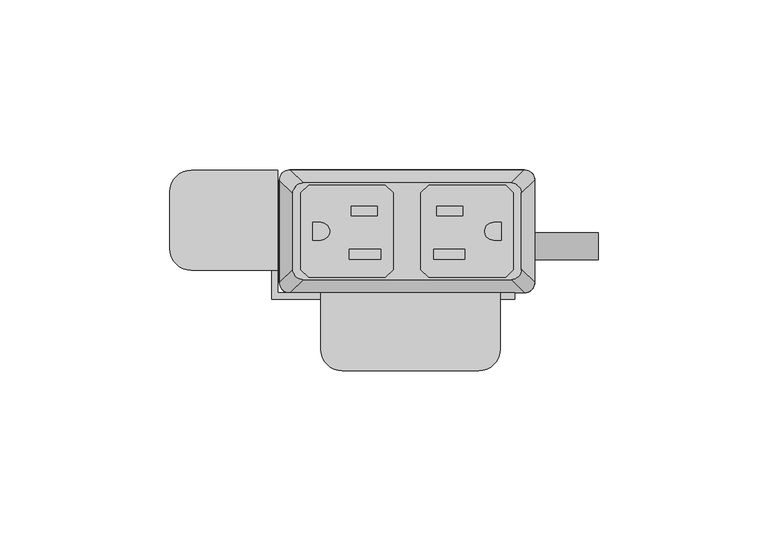
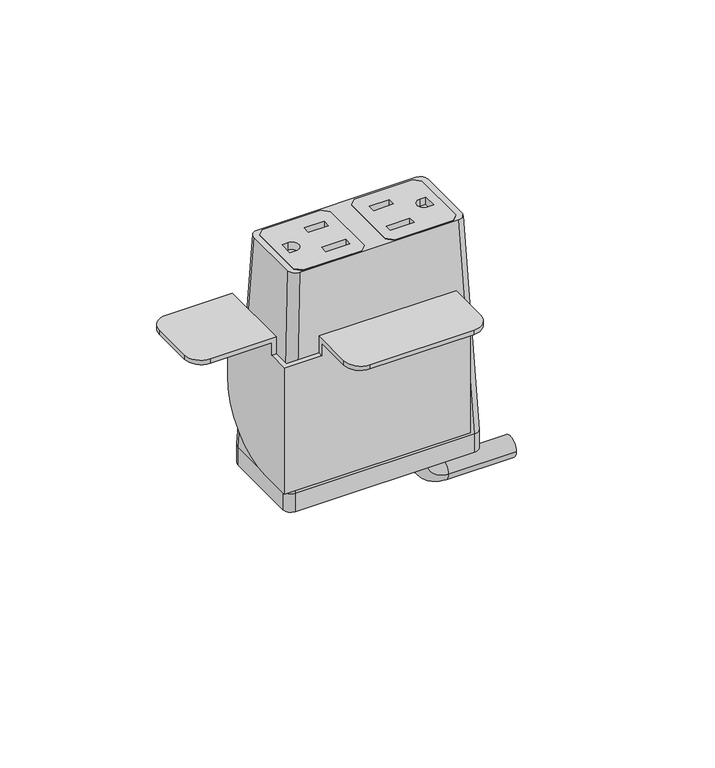
"""IFC4 building model written with IfcOpenShell, lengths in millimetres: furniture geometry."""

import ifcopenshell
import ifcopenshell.guid

model = None  # the IFC model being written
_history = None  # IfcOwnerHistory: only IFC2X3 demands one
_inside = {}  # id of a spatial element -> (the spatial element, [elements in it])
_under = {}  # id of a project, library or spatial element -> (it, [spatial elements below it])
_declared = {}  # id of a project -> (the project, [libraries it declares])
_typed = {}  # id of a type object -> (the type object, [elements of that type])
_made_of = {}  # id of a material, layer set ... -> (it, [elements and type objects made of it])


def new_model(schema):
    """Start an empty IFC model of exactly this schema.

    Asked for "IFC4X3", IfcOpenShell would pick the latest addendum, in which some entities
    have other attributes; the version numbers below select the first issue.
    IFC2X3 requires an IfcOwnerHistory on every rooted entity: one is made here for all.
    """
    global model, _history
    if schema == "IFC4X3":
        model = ifcopenshell.file(schema_version=(4, 3, 0, 0))
    else:
        model = ifcopenshell.file(schema=schema)
    _inside.clear()
    _under.clear()
    _declared.clear()
    _typed.clear()
    _made_of.clear()
    _history = None
    if model.schema == "IFC2X3":
        org = make("IfcOrganization", Name="unknown")
        user = make(
            "IfcPersonAndOrganization",
            ThePerson=make("IfcPerson", FamilyName="unknown"),
            TheOrganization=org,
        )
        app = make(
            "IfcApplication",
            ApplicationDeveloper=org,
            Version="unknown",
            ApplicationFullName="unknown",
            ApplicationIdentifier="unknown",
        )
        _history = make(
            "IfcOwnerHistory",
            OwningUser=user,
            OwningApplication=app,
            ChangeAction="ADDED",
            CreationDate=0,
        )
    return model


def make(cls, **values):
    """One entity of the class cls with the attributes given. An attribute that is None is left unset."""
    return model.create_entity(
        cls, **{name: value for name, value in values.items() if value is not None}
    )


def rooted(cls, **values):
    """An entity with a GlobalId (a new one), such as an element, a storey or a relation."""
    return make(cls, GlobalId=ifcopenshell.guid.new(), OwnerHistory=_history, **values)


def si_unit(unit_type, name, prefix=None):
    """IfcSIUnit, for example si_unit("LENGTHUNIT", "METRE", prefix="MILLI")."""
    return make("IfcSIUnit", UnitType=unit_type, Prefix=prefix, Name=name)


def assignment(units):
    """IfcUnitAssignment: the units of a project."""
    return None if units is None else make("IfcUnitAssignment", Units=units)


def point(xyz):
    """IfcCartesianPoint."""
    return None if xyz is None else make("IfcCartesianPoint", Coordinates=xyz)


def direction(xyz):
    """IfcDirection."""
    return None if xyz is None else make("IfcDirection", DirectionRatios=xyz)


def frame(location, z_axis=None, x_axis=None):
    """IfcAxis2Placement3D, a coordinate frame: its origin and axes. An axis left out is left unset."""
    return make(
        "IfcAxis2Placement3D",
        Location=point(location),
        Axis=direction(z_axis),
        RefDirection=direction(x_axis),
    )


def frame_2d(location, x_axis=None):
    """IfcAxis2Placement2D, a coordinate frame in the plane: its origin and x axis."""
    return make(
        "IfcAxis2Placement2D", Location=point(location), RefDirection=direction(x_axis)
    )


def origin():
    """The frame at (0, 0, 0) with its axes left unset."""
    return frame((0.0, 0.0, 0.0))


def place(relative_to, where):
    """IfcLocalPlacement: puts the frame where relative to a parent placement (None: the world)."""
    return make(
        "IfcLocalPlacement", PlacementRelTo=relative_to, RelativePlacement=where
    )


def context(
    kind, dimensions, precision=None, world=None, true_north=None, identifier=None
):
    """IfcGeometricRepresentationContext, for example the 3D "Model" context."""
    return make(
        "IfcGeometricRepresentationContext",
        ContextIdentifier=identifier,
        ContextType=kind,
        CoordinateSpaceDimension=dimensions,
        Precision=precision,
        WorldCoordinateSystem=world,
        TrueNorth=true_north,
    )


def project(units=None, contexts=None):
    """IfcProject with its units and contexts."""
    return rooted(
        "IfcProject",
        Name="project",
        RepresentationContexts=contexts,
        UnitsInContext=assignment(units),
    )


def spatial(cls, under=None, at=None, **own):
    """A site, building, storey or space (cls), placed at a placement, below another one or the project."""
    s = rooted(cls, ObjectPlacement=at, **own)
    if under is not None:
        _under.setdefault(under.id(), (under, []))[1].append(s)
    return s


def polyline(points):
    """IfcPolyline through the points."""
    return make("IfcPolyline", Points=[point(p) for p in points])


def circle_curve(where, radius):
    """IfcCircle in the frame where."""
    return make("IfcCircle", Position=where, Radius=radius)


def ellipse_curve(where, semi_axis1, semi_axis2):
    """IfcEllipse in the frame where."""
    return make(
        "IfcEllipse", Position=where, SemiAxis1=semi_axis1, SemiAxis2=semi_axis2
    )


def trimmed(basis, trim1, trim2, sense, master):
    """IfcTrimmedCurve: the piece of a basis curve between two trims."""
    return make(
        "IfcTrimmedCurve",
        BasisCurve=basis,
        Trim1=trim1,
        Trim2=trim2,
        SenseAgreement=sense,
        MasterRepresentation=master,
    )


def segment(curve, same_sense, transition):
    """IfcCompositeCurveSegment."""
    return make(
        "IfcCompositeCurveSegment",
        Transition=transition,
        SameSense=same_sense,
        ParentCurve=curve,
    )


def composite_curve(segments, self_intersect=None):
    """IfcCompositeCurve: segments joined end to end."""
    return make("IfcCompositeCurve", Segments=segments, SelfIntersect=self_intersect)


def outline(outer, holes=None, kind="AREA"):
    """IfcArbitraryClosedProfileDef: a profile drawn as a closed curve; with holes, ...WithVoids."""
    if holes is None:
        return make("IfcArbitraryClosedProfileDef", ProfileType=kind, OuterCurve=outer)
    return make(
        "IfcArbitraryProfileDefWithVoids",
        ProfileType=kind,
        OuterCurve=outer,
        InnerCurves=holes,
    )


def extrude(swept, where, along, depth):
    """IfcExtrudedAreaSolid: the profile swept, set in the frame where, extruded along a direction by depth."""
    return make(
        "IfcExtrudedAreaSolid",
        SweptArea=swept,
        Position=where,
        ExtrudedDirection=direction(along),
        Depth=depth,
    )


def shape(context_of_items, identifier, shape_type, items):
    """IfcShapeRepresentation: the items that make up one representation, for example the "Body"."""
    return make(
        "IfcShapeRepresentation",
        ContextOfItems=context_of_items,
        RepresentationIdentifier=identifier,
        RepresentationType=shape_type,
        Items=items,
    )


def source(mapping_origin, context_of_items, identifier, shape_type, items):
    """IfcRepresentationMap: a shape defined once, which mapped items show again and again."""
    return make(
        "IfcRepresentationMap",
        MappingOrigin=mapping_origin,
        MappedRepresentation=shape(context_of_items, identifier, shape_type, items),
    )


def transform(
    local_origin,
    x_axis=None,
    y_axis=None,
    z_axis=None,
    scale=None,
    scale2=None,
    scale3=None,
    uniform=True,
):
    """IfcCartesianTransformationOperator3D, or its non-uniform kind. x_axis, y_axis, z_axis: its Axis1, 2, 3."""
    if uniform:
        return make(
            "IfcCartesianTransformationOperator3D",
            Axis1=direction(x_axis),
            Axis2=direction(y_axis),
            LocalOrigin=point(local_origin),
            Scale=scale,
            Axis3=direction(z_axis),
        )
    return make(
        "IfcCartesianTransformationOperator3DnonUniform",
        Axis1=direction(x_axis),
        Axis2=direction(y_axis),
        LocalOrigin=point(local_origin),
        Scale=scale,
        Axis3=direction(z_axis),
        Scale2=scale2,
        Scale3=scale3,
    )


def mapped(mapping_source, mapping_target):
    """IfcMappedItem: shows the shape of a source again, moved by a transform."""
    return make(
        "IfcMappedItem", MappingSource=mapping_source, MappingTarget=mapping_target
    )


def made_of(thing, what):
    """Note that an element or type object is made of a material, layer set ...; save() writes the relation."""
    if what is not None:
        _made_of.setdefault(what.id(), (what, []))[1].append(thing)
    return thing


def element(
    cls,
    number,
    at=None,
    inside=None,
    cuts=None,
    type_object=None,
    material=None,
    context=None,
    identifier="Body",
    shape_type=None,
    held_by="IfcProductDefinitionShape",
    body=None,
    shapes=None,
    **own,
):
    """One element of the class cls, such as IfcWall. Its Tag is "e" and its number.

    at: its placement. inside: the storey or other place that contains it. cuts: it is an
    opening in that element (IfcRelVoidsElement). A single representation is given by context,
    identifier, shape_type and body (its items); several are given by shapes. held_by: the class
    of the entity that holds the representations. save() writes the other relations.
    """
    e = rooted(cls, Tag="e%d" % number, ObjectPlacement=at, **own)
    if body is not None:
        shapes = [shape(context, identifier, shape_type, body)]
    if shapes is not None:
        e.Representation = make(held_by, Representations=shapes)
    if inside is not None:
        _inside.setdefault(inside.id(), (inside, []))[1].append(e)
    if cuts is not None:
        rooted(
            "IfcRelVoidsElement", RelatingBuildingElement=cuts, RelatedOpeningElement=e
        )
    if type_object is not None:
        _typed.setdefault(type_object.id(), (type_object, []))[1].append(e)
    return made_of(e, material)


def aggregate(whole, parts):
    """IfcRelAggregates: a whole, such as a stair, and the parts it consists of."""
    return rooted("IfcRelAggregates", RelatingObject=whole, RelatedObjects=parts)


def save(model, path):
    """Write the relations noted so far, then the file.

    IfcRelAggregates (storeys below a building ...), IfcRelContainedInSpatialStructure (elements
    in a storey), IfcRelDefinesByType, IfcRelAssociatesMaterial and IfcRelDeclares: one each for
    every whole, place, type object, material and project.
    """
    for whole, parts in _under.values():
        aggregate(whole, parts)
    for where, things in _inside.values():
        rooted(
            "IfcRelContainedInSpatialStructure",
            RelatedElements=things,
            RelatingStructure=where,
        )
    for kind, things in _typed.values():
        rooted("IfcRelDefinesByType", RelatedObjects=things, RelatingType=kind)
    for what, things in _made_of.values():
        rooted("IfcRelAssociatesMaterial", RelatedObjects=things, RelatingMaterial=what)
    for by, libraries in _declared.values():
        rooted("IfcRelDeclares", RelatingContext=by, RelatedDefinitions=libraries)
    model.write(path)


def plane_surface(at):
    """IfcPlane: the flat surface through the origin of the frame at, square to its z axis."""
    return make("IfcPlane", Position=at)


def cylinder_surface(at, radius):
    """IfcCylindricalSurface: all points at the distance radius from the z axis of the frame at."""
    return make("IfcCylindricalSurface", Position=at, Radius=radius)


def revolved_surface(curve, axis_point, axis_direction):
    """IfcSurfaceOfRevolution: the curve turned about the line through axis_point along axis_direction."""
    return make(
        "IfcSurfaceOfRevolution",
        SweptCurve=make("IfcArbitraryOpenProfileDef", ProfileType="CURVE", Curve=curve),
        AxisPosition=make("IfcAxis1Placement", Location=point(axis_point), Axis=direction(axis_direction)),
    )


def extruded_surface(curve, direction_of_extrusion, depth):
    """IfcSurfaceOfLinearExtrusion: the curve pushed along a direction by depth."""
    return make(
        "IfcSurfaceOfLinearExtrusion",
        SweptCurve=make("IfcArbitraryOpenProfileDef", ProfileType="CURVE", Curve=curve),
        ExtrudedDirection=direction(direction_of_extrusion),
        Depth=depth,
    )


def advanced_brep(points, edges, surfaces, faces):
    """IfcAdvancedBrep: a solid bounded by faces that lie on surfaces and meet in shared edges.

    An edge is (start, end): straight between two places in points (the first is 0);
    or (start, end, curve); or (start, end, curve, False) where it runs against its curve.
    A face is (place in surfaces, loops), or (place, loops, False) where it looks against
    its surface's normal. A loop lists edges by number (the first is 1), with a minus sign
    where the edge is run from its end to its start. The first loop is the outer one.
    """
    corners = [point(p) for p in points]
    vertices = [make("IfcVertexPoint", VertexGeometry=c) for c in corners]
    made = []
    for start, end, *more in edges:
        made.append(
            make(
                "IfcEdgeCurve",
                EdgeStart=vertices[start],
                EdgeEnd=vertices[end],
                EdgeGeometry=more[0] if more else make("IfcPolyline", Points=[corners[start], corners[end]]),
                SameSense=more[1] if len(more) > 1 else True,
            )
        )
    hull = []
    for where, loops, *sense in faces:
        bounds = []
        for j, loop in enumerate(loops):
            ring = [make("IfcOrientedEdge", EdgeElement=made[abs(k) - 1], Orientation=k > 0) for k in loop]
            bounds.append(
                make(
                    "IfcFaceOuterBound" if j == 0 else "IfcFaceBound",
                    Bound=make("IfcEdgeLoop", EdgeList=ring),
                    Orientation=True,
                )
            )
        hull.append(make("IfcAdvancedFace", Bounds=bounds, FaceSurface=surfaces[where], SameSense=sense[0] if sense else True))
    return make("IfcAdvancedBrep", Outer=make("IfcClosedShell", CfsFaces=hull))


def furniture_4b843754(model_context):
    return source(origin(), model_context, "Body", "SolidModel", [
        extrude(outline(polyline([(28.9877496, 31.6867491), (31.2737497, 29.400774), (31.2737497, 6.7950272), (28.9877496, 4.5090526), (6.3817502, 4.5090526), (4.0957501, 6.7950272), (4.0957501, 29.400774), (6.3817502, 31.6867491), (28.9877496, 31.6867491)]), holes=[polyline([(16.3893498, 25.5262103), (8.71855, 25.5262103), (8.71855, 22.6814439), (16.3893498, 22.6814439), (16.3893498, 25.5262103)]), polyline([(17.0497496, 12.7755533), (7.8041498, 12.7755533), (7.8041498, 9.9307858), (17.0497496, 9.9307858), (17.0497496, 12.7755533)]), composite_curve([segment(polyline([(27.7177508, 20.7140722), (25.4427305, 20.7140722)]), True, "CONTINUOUS"), segment(trimmed(circle_curve(frame_2d((25.4427305, 18.0979012)), 2.616171), [point((25.4427305, 20.7140722))], [point((25.4427305, 15.4817301))], True, "CARTESIAN"), True, "CONTINUOUS"), segment(polyline([(25.4427305, 15.4817301), (27.7177508, 15.4817301), (27.7177508, 20.7140722)]), True, "CONTINUOUS")], self_intersect=False)]), frame((0.0, 0.0, 745.6127365), z_axis=(0.0, 0.0, 1.0), x_axis=(1.0, 0.0, 0.0)), (0.0, 0.0, 1.0), 2.9555086),
        extrude(outline(polyline([(-28.9877496, 31.6867491), (-6.3817502, 31.6867491), (-4.0957501, 29.400774), (-4.0957501, 6.7950272), (-6.3817502, 4.5090526), (-28.9877496, 4.5090526), (-31.2737497, 6.7950272), (-31.2737497, 29.400774), (-28.9877496, 31.6867491)]), holes=[polyline([(-16.3893498, 25.5262103), (-16.3893498, 22.6814439), (-8.71855, 22.6814439), (-8.71855, 25.5262103), (-16.3893498, 25.5262103)]), polyline([(-17.0497496, 12.7755533), (-17.0497496, 9.9307858), (-7.8041498, 9.9307858), (-7.8041498, 12.7755533), (-17.0497496, 12.7755533)]), composite_curve([segment(polyline([(-27.7177508, 20.7140722), (-27.7177508, 15.4817301), (-25.4427305, 15.4817301)]), True, "CONTINUOUS"), segment(trimmed(circle_curve(frame_2d((-25.4427305, 18.0979012)), 2.616171), [point((-25.4427305, 15.4817301))], [point((-25.4427305, 20.7140722))], True, "CARTESIAN"), True, "CONTINUOUS"), segment(polyline([(-25.4427305, 20.7140722), (-27.7177508, 20.7140722)]), True, "CONTINUOUS")], self_intersect=False)]), frame((0.0, 0.0, 745.6127365), z_axis=(0.0, 0.0, 1.0), x_axis=(1.0, 0.0, 0.0)), (0.0, 0.0, 1.0), 2.9555086),
        advanced_brep(
        [(-30.6070003, 32.3219007, 748.5550623), (-33.6549997, 29.2739013, 748.5550623), (-33.6549997, 6.9219002, 748.5550623), (-30.6070003, 3.8739008, 748.5550623), (30.6070003, 3.8739008, 748.5550623), (33.6549997, 6.9219002, 748.5550623), (33.6549997, 29.2739013, 748.5550623), (30.6070003, 32.3219007, 748.5550623), (4.0957501, 29.400774, 748.5550623), (6.3817502, 31.6867491, 748.5550623), (28.9877496, 31.6867491, 748.5550623), (31.2737497, 29.400774, 748.5550623), (31.2737497, 6.7950272, 748.5550623), (28.9877496, 4.5090526, 748.5550623), (6.3817502, 4.5090526, 748.5550623), (4.0957501, 6.7950272, 748.5550623), (-4.0957501, 29.400774, 748.5550623), (-4.0957501, 6.7950272, 748.5550623), (-6.3817502, 4.5090526, 748.5550623), (-28.9877496, 4.5090526, 748.5550623), (-31.2737497, 6.7950272, 748.5550623), (-31.2737497, 29.400774, 748.5550623), (-28.9877496, 31.6867491, 748.5550623), (-6.3817502, 31.6867491, 748.5550623), (-34.5440011, 36.1954015, 662.2082434), (34.5440011, 36.1954015, 662.2082434), (37.5920005, 33.1474021, 662.2082434), (37.5920005, 3.0484002, 662.2082434), (34.5440011, 0.0004009, 662.2082434), (-34.5440011, 0.0004009, 662.2082434), (-37.5920005, 3.0484002, 662.2082434), (-37.5920005, 33.1474021, 662.2082434), (4.0957501, 29.400774, 741.4131211), (4.0957501, 6.7950272, 741.4131211), (6.3817502, 4.5090526, 741.4131211), (28.9877496, 4.5090526, 741.4131211), (31.2737497, 6.7950272, 741.4131211), (31.2737497, 29.400774, 741.4131211), (28.9877496, 31.6867491, 741.4131211), (6.3817502, 31.6867491, 741.4131211), (-4.0957501, 29.400774, 741.4131211), (-6.3817502, 31.6867491, 741.4131211), (-28.9877496, 31.6867491, 741.4131211), (-31.2737497, 29.400774, 741.4131211), (-31.2737497, 6.7950272, 741.4131211), (-28.9877496, 4.5090526, 741.4131211), (-6.3817502, 4.5090526, 741.4131211), (-4.0957501, 6.7950272, 741.4131211)],
        [
            (0, 1, circle_curve(frame((-30.6070003, 29.2739013, 748.5550623), z_axis=(0.0, 0.0, 1.0), x_axis=(-1.0, 0.0, 0.0)), 3.0479994)),
            (1, 2),
            (2, 3, circle_curve(frame((-30.6070003, 6.9219002, 748.5550623), z_axis=(0.0, 0.0, 1.0), x_axis=(-1.0, 0.0, 0.0)), 3.0479994)),
            (3, 4),
            (4, 5, circle_curve(frame((30.6070003, 6.9219002, 748.5550623), z_axis=(0.0, 0.0, 1.0), x_axis=(-1.0, 0.0, 0.0)), 3.0479994)),
            (5, 6),
            (6, 7, circle_curve(frame((30.6070003, 29.2739013, 748.5550623), z_axis=(0.0, 0.0, 1.0), x_axis=(-1.0, 0.0, 0.0)), 3.0479994)),
            (7, 0),
            (8, 9),
            (9, 10),
            (10, 11),
            (11, 12),
            (12, 13),
            (13, 14),
            (14, 15),
            (15, 8),
            (16, 17),
            (17, 18),
            (18, 19),
            (19, 20),
            (20, 21),
            (21, 22),
            (22, 23),
            (23, 16),
            (24, 25),
            (25, 26, circle_curve(frame((34.5440011, 33.1474021, 662.2082434), z_axis=(0.0, 0.0, -1.0), x_axis=(-1.0, 0.0, 0.0)), 3.0479994)),
            (26, 27),
            (27, 28, circle_curve(frame((34.5440011, 3.0484002, 662.2082434), z_axis=(0.0, 0.0, -1.0), x_axis=(-1.0, 0.0, 0.0)), 3.0479994)),
            (28, 29),
            (29, 30, circle_curve(frame((-34.5440011, 3.0484002, 662.2082434), z_axis=(0.0, 0.0, -1.0), x_axis=(-1.0, 0.0, 0.0)), 3.0479994)),
            (30, 31),
            (31, 24, circle_curve(frame((-34.5440011, 33.1474021, 662.2082434), z_axis=(0.0, 0.0, -1.0), x_axis=(-1.0, 0.0, 0.0)), 3.0479994)),
            (0, 24),
            (31, 1),
            (30, 2),
            (29, 3),
            (28, 4),
            (27, 5),
            (26, 6),
            (25, 7),
            (32, 33),
            (33, 34),
            (34, 35),
            (35, 36),
            (36, 37),
            (37, 38),
            (38, 39),
            (39, 32),
            (40, 41),
            (41, 42),
            (42, 43),
            (43, 44),
            (44, 45),
            (45, 46),
            (46, 47),
            (47, 40),
            (39, 9),
            (8, 32),
            (38, 10),
            (37, 11),
            (36, 12),
            (35, 13),
            (34, 14),
            (33, 15),
            (47, 17),
            (16, 40),
            (46, 18),
            (45, 19),
            (44, 20),
            (43, 21),
            (42, 22),
            (41, 23),
        ],
        [
            plane_surface(frame((0.0, 18.0979007, 748.5550623), z_axis=(0.0, 0.0, 1.0), x_axis=(-1.0, 0.0, 0.0))),
            plane_surface(frame((0.0, 18.0979012, 662.2082434), z_axis=(0.0, 0.0, -1.0), x_axis=(-1.0, 0.0, 0.0))),
            extruded_surface(trimmed(circle_curve(frame((-34.5440011, 33.1474021, 662.2082434), z_axis=(0.0, 0.0, 1.0), x_axis=(-1.0, 0.0, 0.0)), 3.0479994), [point((-34.5440011, 36.1954015, 662.2082434))], [point((-37.5920005, 33.1474021, 662.2082434))], True, "CARTESIAN"), (3.9370008000000034, -3.873500800000002, 86.34681890000002), 86.52327500676452),
            plane_surface(frame((-37.5920005, 18.0979012, 662.2082434), z_axis=(-0.9989621566211194, 0.0, 0.04554788292425982), x_axis=(0.0, -1.0, 0.0))),
            extruded_surface(trimmed(circle_curve(frame((-34.5440011, 3.0484002, 662.2082434), z_axis=(0.0, 0.0, 1.0), x_axis=(-1.0, 0.0, 0.0)), 3.0479994), [point((-37.5920005, 3.0484002, 662.2082434))], [point((-34.5440011, 0.0004009, 662.2082434))], True, "CARTESIAN"), (3.9370008000000034, 3.8734999999999995, 86.34681890000002), 86.52327497094987),
            plane_surface(frame((0.0, 0.0004009, 662.2082434), z_axis=(0.0, -0.9989953158490498, 0.044814717578687276), x_axis=(1.0, 0.0, 0.0))),
            extruded_surface(trimmed(circle_curve(frame((34.5440011, 3.0484002, 662.2082434), z_axis=(0.0, 0.0, 1.0), x_axis=(-1.0, 0.0, 0.0)), 3.0479994), [point((34.5440011, 0.0004009, 662.2082434))], [point((37.5920005, 3.0484002, 662.2082434))], True, "CARTESIAN"), (-3.9370008000000034, 3.8734999999999995, 86.34681890000002), 86.52327497094987),
            plane_surface(frame((37.5920005, 18.0979012, 662.2082434), z_axis=(0.9989621566211194, 0.0, 0.04554788292425977), x_axis=(0.0, 1.0, 0.0))),
            extruded_surface(trimmed(circle_curve(frame((34.5440011, 33.1474021, 662.2082434), z_axis=(0.0, 0.0, 1.0), x_axis=(-1.0, 0.0, 0.0)), 3.0479994), [point((37.5920005, 33.1474021, 662.2082434))], [point((34.5440011, 36.1954015, 662.2082434))], True, "CARTESIAN"), (-3.9370008000000034, -3.873500800000002, 86.34681890000002), 86.52327500676452),
            plane_surface(frame((0.0, 36.1954015, 662.2082434), z_axis=(0.0, 0.9989953153818162, 0.04481472799410512), x_axis=(-1.0, 0.0, 0.0))),
            plane_surface(frame((4.0957501, 29.400774, 741.4131211), z_axis=(0.0, 0.0, 1.0), x_axis=(0.707110644658062, 0.7071029176939239, 0.0))),
            plane_surface(frame((4.0957501, 29.400774, 741.4131211), z_axis=(0.7071029176939239, -0.707110644658062, 0.0), x_axis=(0.0, 0.0, 1.0))),
            plane_surface(frame((6.3817502, 31.6867491, 741.4131211), z_axis=(0.0, -1.0, 0.0), x_axis=(0.0, 0.0, 1.0))),
            plane_surface(frame((28.9877496, 31.6867491, 741.4131211), z_axis=(-0.7071029176939239, -0.707110644658062, 0.0), x_axis=(0.0, 0.0, 1.0))),
            plane_surface(frame((31.2737497, 29.400774, 741.4131211), z_axis=(-1.0, 0.0, 0.0), x_axis=(0.0, 0.0, 1.0))),
            plane_surface(frame((31.2737497, 6.7950272, 741.4131211), z_axis=(-0.7071028298865373, 0.7071107324644781, 0.0), x_axis=(0.0, 0.0, 1.0))),
            plane_surface(frame((28.9877496, 4.5090526, 741.4131211), z_axis=(0.0, 1.0, 0.0), x_axis=(0.0, 0.0, 1.0))),
            plane_surface(frame((6.3817502, 4.5090526, 741.4131211), z_axis=(0.7071028298865373, 0.7071107324644781, 0.0), x_axis=(0.0, 0.0, 1.0))),
            plane_surface(frame((4.0957501, 6.7950272, 741.4131211), z_axis=(1.0, 0.0, 0.0), x_axis=(0.0, 0.0, 1.0))),
            plane_surface(frame((-4.0957501, 29.400774, 741.4131211), z_axis=(-1.0, 0.0, 0.0), x_axis=(0.0, 0.0, 1.0))),
            plane_surface(frame((-4.0957501, 6.7950272, 741.4131211), z_axis=(-0.7071028298865389, 0.7071107324644764, 0.0), x_axis=(0.0, 0.0, 1.0))),
            plane_surface(frame((-6.3817502, 4.5090526, 741.4131211), z_axis=(0.0, 1.0, 0.0), x_axis=(0.0, 0.0, 1.0))),
            plane_surface(frame((-28.9877496, 4.5090526, 741.4131211), z_axis=(0.707102829886537, 0.7071107324644784, 0.0), x_axis=(0.0, 0.0, 1.0))),
            plane_surface(frame((-31.2737497, 6.7950272, 741.4131211), z_axis=(1.0, 0.0, 0.0), x_axis=(0.0, 0.0, 1.0))),
            plane_surface(frame((-31.2737497, 29.400774, 741.4131211), z_axis=(0.7071029176940063, -0.7071106446579796, 0.0), x_axis=(0.0, 0.0, 1.0))),
            plane_surface(frame((-28.9877496, 31.6867491, 741.4131211), z_axis=(0.0, -1.0, 0.0), x_axis=(0.0, 0.0, 1.0))),
            plane_surface(frame((-6.3817502, 31.6867491, 741.4131211), z_axis=(-0.7071029176940076, -0.7071106446579782, 0.0), x_axis=(0.0, 0.0, 1.0))),
        ],
        [
            (0, [[1, 2, 3, 4, 5, 6, 7, 8], [9, 10, 11, 12, 13, 14, 15, 16], [17, 18, 19, 20, 21, 22, 23, 24]]),
            (1, [[25, 26, 27, 28, 29, 30, 31, 32]]),
            (2, [[-1, 33, -32, 34]]),
            (3, [[-2, -34, -31, 35]]),
            (4, [[-3, -35, -30, 36]]),
            (5, [[-4, -36, -29, 37]]),
            (6, [[-5, -37, -28, 38]]),
            (7, [[-6, -38, -27, 39]]),
            (8, [[-7, -39, -26, 40]]),
            (9, [[-8, -40, -25, -33]]),
            (10, [[41, 42, 43, 44, 45, 46, 47, 48]]),
            (10, [[49, 50, 51, 52, 53, 54, 55, 56]]),
            (11, [[-48, 57, -9, 58]]),
            (12, [[-47, 59, -10, -57]]),
            (13, [[-46, 60, -11, -59]]),
            (14, [[-45, 61, -12, -60]]),
            (15, [[-44, 62, -13, -61]]),
            (16, [[-43, 63, -14, -62]]),
            (17, [[-42, 64, -15, -63]]),
            (18, [[-41, -58, -16, -64]]),
            (19, [[-56, 65, -17, 66]]),
            (20, [[-55, 67, -18, -65]]),
            (21, [[-54, 68, -19, -67]]),
            (22, [[-53, 69, -20, -68]]),
            (23, [[-52, 70, -21, -69]]),
            (24, [[-51, 71, -22, -70]]),
            (25, [[-50, 72, -23, -71]]),
            (26, [[-49, -66, -24, -72]]),
        ],
    ),
        advanced_brep(
        [(21.5715504, 17.7128311, 654.7340348), (21.5715504, 9.7137856, 654.7340348), (21.5715504, 17.7128311, 649.9042821), (21.5715504, 9.7137856, 649.9042821), (30.0384415, 9.7137856, 641.437391), (30.0384415, 17.7128311, 641.437391), (56.2588798, 17.7128311, 641.437391), (56.2588798, 9.7137856, 641.437391)],
        [
            (0, 1, circle_curve(frame((21.5715504, 13.7133083, 654.7340348), z_axis=(0.0, 0.0, 1.0), x_axis=(0.0, -1.0, 0.0)), 3.9995228)),
            (1, 0, circle_curve(frame((21.5715504, 13.7133083, 654.7340348), z_axis=(0.0, 0.0, 1.0), x_axis=(0.0, -1.0, 0.0)), 3.9995228)),
            (0, 2),
            (2, 3, circle_curve(frame((21.5715504, 13.7133083, 649.9042821), z_axis=(0.0, 0.0, 1.0), x_axis=(0.0, -1.0, 0.0)), 3.9995228)),
            (3, 1),
            (3, 2, circle_curve(frame((21.5715504, 13.7133083, 649.9042821), z_axis=(0.0, 0.0, 1.0), x_axis=(0.0, -1.0, 0.0)), 3.9995228)),
            (4, 3, circle_curve(frame((30.0384415, 9.7137856, 649.9042821), z_axis=(0.0, 1.0, 0.0), x_axis=(-1.0, 0.0, 0.0)), 8.4668911)),
            (2, 5, circle_curve(frame((30.0384415, 17.7128311, 649.9042821), z_axis=(0.0, -1.0, 0.0), x_axis=(-1.0, 0.0, 0.0)), 8.4668911)),
            (5, 4, circle_curve(frame((30.0384415, 13.7133083, 641.437391), z_axis=(-1.0, 0.0, 0.0), x_axis=(0.0, -1.0, 0.0)), 3.9995228)),
            (4, 5, circle_curve(frame((30.0384415, 13.7133083, 641.437391), z_axis=(-1.0, 0.0, 0.0), x_axis=(0.0, -1.0, 0.0)), 3.9995228)),
            (6, 7, circle_curve(frame((56.2588798, 13.7133083, 641.437391), z_axis=(1.0, 0.0, 0.0), x_axis=(0.0, -1.0, 0.0)), 3.9995228)),
            (7, 6, circle_curve(frame((56.2588798, 13.7133083, 641.437391), z_axis=(1.0, 0.0, 0.0), x_axis=(0.0, -1.0, 0.0)), 3.9995228)),
            (5, 6),
            (7, 4),
        ],
        [
            plane_surface(frame((21.5715504, 0.0, 654.7340348), z_axis=(0.0, 0.0, 1.0), x_axis=(0.0, -1.0, 0.0))),
            cylinder_surface(frame((21.5715504, 13.7133083, 654.7340348), z_axis=(0.0, 0.0, 1.0), x_axis=(0.0, -1.0, 0.0)), 3.9995228),
            revolved_surface(trimmed(ellipse_curve(frame((21.5715504, 13.7133083, 649.9042821), z_axis=(0.0, 0.0, 1.0), x_axis=(0.0, -1.0, 0.0)), 3.9995228, 3.9995228), [point((21.5715504, 17.7128311, 649.9042821))], [point((21.5715504, 9.7137856, 649.9042821))], True, "CARTESIAN"), (30.0384415, 0.0, 649.9042821), (0.0, -1.0, 0.0)),
            revolved_surface(trimmed(ellipse_curve(frame((21.5715504, 13.7133083, 649.9042821), z_axis=(0.0, 0.0, 1.0), x_axis=(0.0, -1.0, 0.0)), 3.9995228, 3.9995228), [point((21.5715504, 9.7137856, 649.9042821))], [point((21.5715504, 17.7128311, 649.9042821))], True, "CARTESIAN"), (30.0384415, 0.0, 649.9042821), (0.0, -1.0, 0.0)),
            plane_surface(frame((56.2588798, 0.0, 641.437391), z_axis=(1.0, 0.0, 0.0), x_axis=(0.0, -1.0, 0.0))),
            cylinder_surface(frame((30.0384415, 13.7133083, 641.437391), z_axis=(-1.0, 0.0, 0.0), x_axis=(0.0, -1.0, 0.0)), 3.9995228),
        ],
        [
            (0, [[1, 2]]),
            (1, [[-1, 3, 4, 5]]),
            (1, [[-2, -5, 6, -3]]),
            (2, [[7, -4, 8, 9]]),
            (3, [[-8, -6, -7, 10]]),
            (4, [[11, 12]]),
            (5, [[-9, 13, -12, 14]]),
            (5, [[-10, -14, -11, -13]]),
        ],
    ),
        extrude(outline(composite_curve([segment(trimmed(circle_curve(frame_2d((34.5440011, 33.1474021)), 3.0479994), [point((34.5440011, 36.1954015))], [point((37.5920005, 33.1474021))], False, "CARTESIAN"), True, "CONTINUOUS"), segment(polyline([(37.5920005, 33.1474021), (37.5920005, 3.0484002)]), True, "CONTINUOUS"), segment(trimmed(circle_curve(frame_2d((34.5440011, 3.0484002)), 3.0479994), [point((37.5920005, 3.0484002))], [point((34.5440011, 0.0004009))], False, "CARTESIAN"), True, "CONTINUOUS"), segment(polyline([(34.5440011, 0.0004009), (-34.5440011, 0.0004009)]), True, "CONTINUOUS"), segment(trimmed(circle_curve(frame_2d((-34.5440011, 3.0484002)), 3.0479994), [point((-34.5440011, 0.0004009))], [point((-37.5920005, 3.0484002))], False, "CARTESIAN"), True, "CONTINUOUS"), segment(polyline([(-37.5920005, 3.0484002), (-37.5920005, 33.1474021)]), True, "CONTINUOUS"), segment(trimmed(circle_curve(frame_2d((-34.5440011, 33.1474021)), 3.0479994), [point((-37.5920005, 33.1474021))], [point((-34.5440011, 36.1954015))], False, "CARTESIAN"), True, "CONTINUOUS"), segment(polyline([(-34.5440011, 36.1954015), (34.5440011, 36.1954015)]), True, "CONTINUOUS")], self_intersect=False)), frame((0.0, 0.0, 654.7340348), z_axis=(0.0, 0.0, 1.0), x_axis=(1.0, 0.0, 0.0)), (0.0, 0.0, 1.0), 7.4742086),
        advanced_brep(
        [(-63.4998651, 6.6265515, 721.36), (-69.8498653, 12.9765517, 721.36), (-69.8498653, 29.7151512, 721.36), (-63.4998645, 36.0651519, 721.36), (-39.877862, 36.0651519, 721.36), (-39.877862, 6.6265515, 721.36), (27.4321373, -16.6144474, 721.36), (21.0821366, -22.9644481, 721.36), (-19.0498626, -22.9644481, 721.36), (-25.3998622, -16.6144485, 721.36), (-25.3998622, -1.9078486, 721.36), (27.4321373, -1.9078486, 721.36), (-63.4998645, 36.0651519, 723.138), (-69.8498653, 29.7151512, 723.138), (-69.8498653, 12.9765517, 723.138), (-63.4998651, 6.6265515, 723.138), (-38.0998637, 6.6265515, 723.138), (-38.0998637, 36.0651519, 723.138), (-25.3998622, 0.0, 723.138), (-25.3998622, -16.6144485, 723.138), (-19.0498626, -22.9644481, 723.138), (21.0821366, -22.9644481, 723.138), (27.4321373, -16.6144474, 723.138), (27.4321373, 0.0, 723.138), (-38.0998637, 36.0651519, 690.1179997), (-39.877862, 36.0651519, 690.1179997), (-39.877862, 6.6265515, 716.2799997), (-38.0998637, 6.6265515, 716.2799997), (-38.0998637, 0.0, 716.2799997), (-38.0998637, 0.0, 664.7180012), (-38.0998637, 10.6651534, 664.7180012), (27.4321373, -1.9078486, 716.2799997), (27.4321373, 0.0, 716.2799997), (31.7501378, 0.0, 716.2799997), (31.7501378, 0.0, 664.7180012), (-25.3998622, 0.0, 716.2799997), (-25.3998622, -1.9078486, 716.2799997), (-39.877862, 10.6651534, 664.7180012), (-39.877862, -1.9078486, 664.7180012), (-39.877862, -1.9078486, 716.2799997), (31.7501378, -1.9078486, 664.7180012), (31.7501378, -1.9078486, 716.2799997)],
        [
            (0, 1, circle_curve(frame((-63.4998651, 12.9765517, 721.36), z_axis=(0.0, 0.0, -1.0), x_axis=(-1.0, 0.0, 0.0)), 6.3500002)),
            (1, 2),
            (2, 3, circle_curve(frame((-63.4998645, 29.7151512, 721.36), z_axis=(0.0, 0.0, -1.0), x_axis=(-1.0, 0.0, 0.0)), 6.3500008)),
            (3, 4),
            (4, 5),
            (5, 0),
            (6, 7, circle_curve(frame((21.0821366, -16.6144474, 721.36), z_axis=(0.0, 0.0, -1.0), x_axis=(-1.0, 0.0, 0.0)), 6.3500008)),
            (7, 8),
            (8, 9, circle_curve(frame((-19.0498626, -16.6144485, 721.36), z_axis=(0.0, 0.0, -1.0), x_axis=(-1.0, 0.0, 0.0)), 6.3499996)),
            (9, 10),
            (10, 11),
            (11, 6),
            (12, 13, circle_curve(frame((-63.4998645, 29.7151512, 723.138), z_axis=(0.0, 0.0, 1.0), x_axis=(-1.0, 0.0, 0.0)), 6.3500008)),
            (13, 14),
            (14, 15, circle_curve(frame((-63.4998651, 12.9765517, 723.138), z_axis=(0.0, 0.0, 1.0), x_axis=(-1.0, 0.0, 0.0)), 6.3500002)),
            (15, 16),
            (16, 17),
            (17, 12),
            (18, 19),
            (19, 20, circle_curve(frame((-19.0498626, -16.6144485, 723.138), z_axis=(0.0, 0.0, 1.0), x_axis=(-1.0, 0.0, 0.0)), 6.3499996)),
            (20, 21),
            (21, 22, circle_curve(frame((21.0821366, -16.6144474, 723.138), z_axis=(0.0, 0.0, 1.0), x_axis=(-1.0, 0.0, 0.0)), 6.3500008)),
            (22, 23),
            (23, 18),
            (3, 12),
            (17, 24),
            (24, 25),
            (25, 4),
            (2, 13),
            (1, 14),
            (0, 15),
            (5, 26),
            (26, 27),
            (27, 16),
            (27, 28),
            (28, 29),
            (29, 30),
            (30, 24, circle_curve(frame((-38.0998637, 10.6651534, 690.1179997), z_axis=(1.0, 0.0, 0.0), x_axis=(0.0, -1.0, 0.0)), 25.3999985)),
            (8, 20),
            (19, 9),
            (7, 21),
            (6, 22),
            (11, 31),
            (31, 32),
            (32, 23),
            (32, 33),
            (33, 34),
            (34, 29),
            (28, 35),
            (35, 18),
            (35, 36),
            (36, 10),
            (25, 37, circle_curve(frame((-39.877862, 10.6651534, 690.1179997), z_axis=(-1.0, 0.0, 0.0), x_axis=(0.0, -1.0, 0.0)), 25.3999985)),
            (37, 38),
            (38, 39),
            (39, 26),
            (30, 37),
            (34, 40),
            (40, 38),
            (40, 41),
            (41, 31),
            (36, 39),
            (41, 33),
        ],
        [
            plane_surface(frame((-63.4998645, 36.0651519, 721.36), z_axis=(0.0, 0.0, -1.0), x_axis=(1.0, 0.0, 0.0))),
            plane_surface(frame((-63.4998645, 36.0651519, 723.138), z_axis=(0.0, 0.0, 1.0), x_axis=(-1.0, 0.0, 0.0))),
            plane_surface(frame((-38.0998637, 36.0651519, 723.138), z_axis=(0.0, 1.0, 0.0), x_axis=(0.0, 0.0, -1.0))),
            cylinder_surface(frame((-63.4998645, 29.7151512, 721.36), z_axis=(0.0, 0.0, 1.0), x_axis=(-1.0, 0.0, 0.0)), 6.3500008),
            plane_surface(frame((-69.8498653, 29.7151512, 723.138), z_axis=(-1.0, 0.0, 0.0), x_axis=(0.0, 0.0, -1.0))),
            cylinder_surface(frame((-63.4998651, 12.9765517, 721.36), z_axis=(0.0, 0.0, 1.0), x_axis=(-1.0, 0.0, 0.0)), 6.3500002),
            plane_surface(frame((-63.4998651, 6.6265515, 723.138), z_axis=(0.0, -1.0, 0.0), x_axis=(0.0, 0.0, -1.0))),
            plane_surface(frame((-38.0998637, 6.6265515, 723.138), z_axis=(1.0, 0.0, 0.0), x_axis=(0.0, 0.0, -1.0))),
            cylinder_surface(frame((-19.0498626, -16.6144485, 723.138), z_axis=(0.0, 0.0, 1.0), x_axis=(-1.0, 0.0, 0.0)), 6.3499996),
            plane_surface(frame((-19.0498626, -22.9644481, 723.138), z_axis=(0.0, -1.0, 0.0), x_axis=(0.0, 0.0, -1.0))),
            cylinder_surface(frame((21.0821366, -16.6144474, 723.138), z_axis=(0.0, 0.0, 1.0), x_axis=(-1.0, 0.0, 0.0)), 6.3500008),
            plane_surface(frame((27.4321373, -16.6144474, 723.138), z_axis=(1.0, 0.0, 0.0), x_axis=(0.0, 0.0, -1.0))),
            plane_surface(frame((27.4321373, 0.0, 723.138), z_axis=(0.0, 1.0, 0.0), x_axis=(0.0, 0.0, -1.0))),
            plane_surface(frame((-25.3998622, 0.0, 723.138), z_axis=(-1.0, 0.0, 0.0), x_axis=(0.0, 0.0, -1.0))),
            plane_surface(frame((-39.877862, 36.0651519, 690.1179997), z_axis=(-1.0, 0.0, 0.0), x_axis=(0.0, 0.0, -1.0))),
            cylinder_surface(frame((-38.0998637, 10.6651534, 690.1179997), z_axis=(-1.0, 0.0, 0.0), x_axis=(0.0, -1.0, 0.0)), 25.3999985),
            plane_surface(frame((-39.877862, 10.6651534, 664.7180012), z_axis=(0.0, 0.0, -1.0), x_axis=(1.0, 0.0, 0.0))),
            plane_surface(frame((-39.877862, -1.9078486, 664.7180012), z_axis=(0.0, -1.0, 0.0), x_axis=(1.0, 0.0, 0.0))),
            plane_surface(frame((-39.877862, -1.9078486, 716.2799997), z_axis=(0.0, 0.0, 1.0), x_axis=(1.0, 0.0, 0.0))),
            plane_surface(frame((31.7501378, -1.9078486, 716.2799997), z_axis=(0.0, 0.0, 1.0), x_axis=(0.0, 1.0, 0.0))),
            plane_surface(frame((31.7501378, -1.9078486, 664.7180012), z_axis=(1.0, 0.0, 0.0), x_axis=(0.0, 1.0, 0.0))),
        ],
        [
            (0, [[1, 2, 3, 4, 5, 6]]),
            (0, [[7, 8, 9, 10, 11, 12]]),
            (1, [[13, 14, 15, 16, 17, 18]]),
            (1, [[19, 20, 21, 22, 23, 24]]),
            (2, [[25, -18, 26, 27, 28, -4]]),
            (3, [[-3, 29, -13, -25]]),
            (4, [[-2, 30, -14, -29]]),
            (5, [[-1, 31, -15, -30]]),
            (6, [[-31, -6, 32, 33, 34, -16]]),
            (7, [[-17, -34, 35, 36, 37, 38, -26]]),
            (8, [[-9, 39, -20, 40]]),
            (9, [[-8, 41, -21, -39]]),
            (10, [[-7, 42, -22, -41]]),
            (11, [[-42, -12, 43, 44, 45, -23]]),
            (12, [[-24, -45, 46, 47, 48, -36, 49, 50]]),
            (13, [[-40, -19, -50, 51, 52, -10]]),
            (14, [[53, 54, 55, 56, -32, -5, -28]]),
            (15, [[-53, -27, -38, 57]]),
            (16, [[-57, -37, -48, 58, 59, -54]]),
            (17, [[-55, -59, 60, 61, -43, -11, -52, 62]]),
            (18, [[-62, -51, -49, -35, -33, -56]]),
            (19, [[-61, 63, -46, -44]]),
            (20, [[-60, -58, -47, -63]]),
        ],
    ),
    ])


if __name__ == "__main__":
    model = new_model("IFC4")
    model_context = context("Model", 3, world=origin())
    ifc_project = project(units=[si_unit("LENGTHUNIT", "METRE", prefix="MILLI")], contexts=[model_context])
    site = spatial("IfcSite", under=ifc_project)
    building = spatial("IfcBuilding", under=site)
    placement = place(None, origin())
    furniture_shape = furniture_4b843754(model_context)
    element("IfcFurniture", 1, at=placement, inside=building, context=model_context, shape_type="MappedRepresentation", body=[
        mapped(furniture_shape, transform((0.0, 0.0, 0.0), x_axis=(1.0, 0.0, 0.0), y_axis=(0.0, 1.0, 0.0), z_axis=(0.0, 0.0, 1.0))),
    ])
    save(model, "model.ifc")
